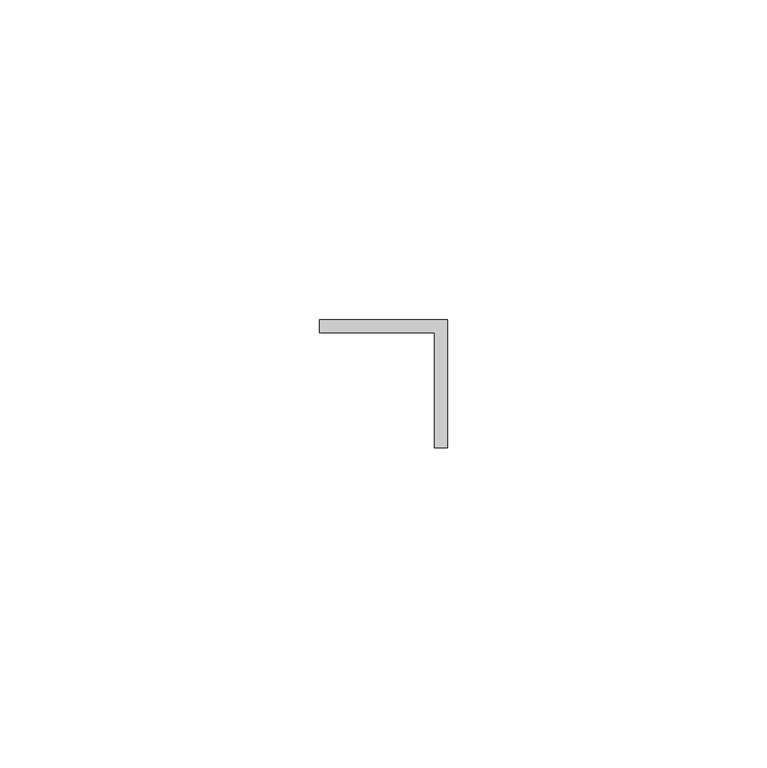
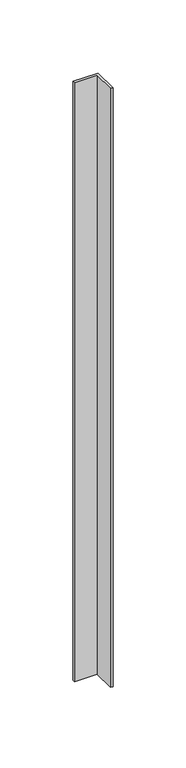
"""IFC4 building model written with IfcOpenShell, lengths in millimetres: proxy geometry."""

from ifc_helpers import new_model, si_unit, origin, origin_with_axes, place, context, project, spatial, polyline, outline, extrude, source, transform, mapped, element, save


def generic_models_eb3970b2(model_context):
    return source(origin(), model_context, "Body", "SweptSolid", [
        extrude(outline(polyline([(115.0, 70.0), (113.0, 70.0), (113.0, 88.0), (95.0, 88.0), (95.0, 90.0), (115.0, 90.0), (115.0, 70.0)])), origin_with_axes(), (0.0, 0.0, 1.0), 500.0),
    ])


if __name__ == "__main__":
    model = new_model("IFC4")
    model_context = context("Model", 3, world=origin())
    ifc_project = project(units=[si_unit("LENGTHUNIT", "METRE", prefix="MILLI")], contexts=[model_context])
    site = spatial("IfcSite", under=ifc_project)
    building = spatial("IfcBuilding", under=site)
    placement = place(None, origin())
    generic_models_shape = generic_models_eb3970b2(model_context)
    element("IfcBuildingElementProxy", 1, Name="Generic Models", at=placement, inside=building, context=model_context, shape_type="MappedRepresentation", body=[
        mapped(generic_models_shape, transform((0.0, 0.0, 0.0), x_axis=(1.0, 0.0, 0.0), y_axis=(0.0, 1.0, 0.0), z_axis=(0.0, 0.0, 1.0))),
    ])
    save(model, "model.ifc")
